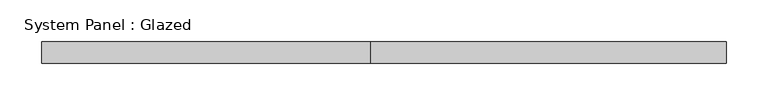
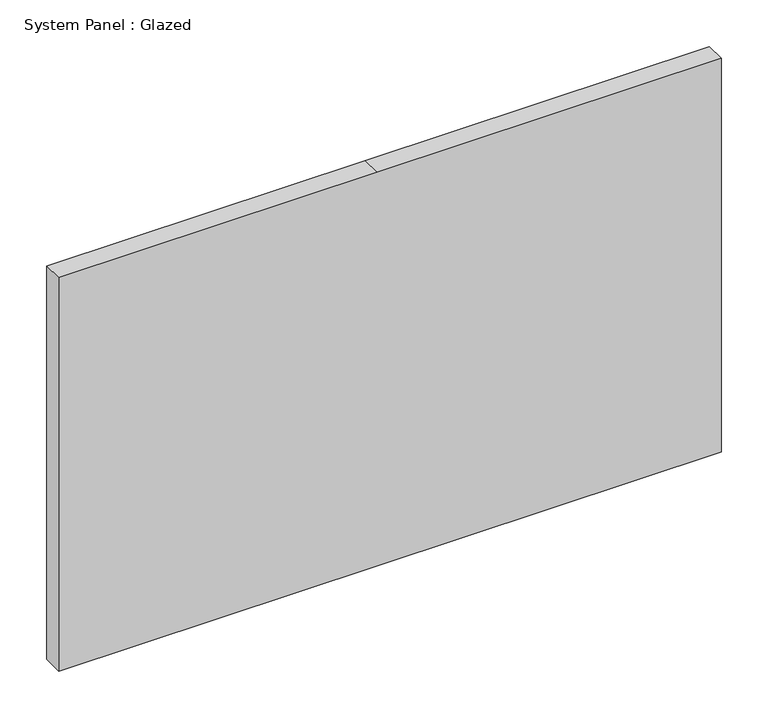
"""IFC4 building model written with IfcOpenShell, lengths in millimetres: plate geometry, System Panel : Glazed."""

from ifc_helpers import new_model, si_unit, frame, origin, place, context, project, spatial, polyline, outline, extrude, source, transform, mapped, element, save


def system_panel_glazed_1ebc0fed(model_context):
    return source(origin(), model_context, "Body", "SweptSolid", [
        extrude(outline(polyline([(0.0, -409.575), (0.0, -15.875), (0.0, 409.575), (514.35, 409.575), (514.35, -15.875), (514.35, -409.575), (0.0, -409.575)])), frame((0.0, 19.05, 0.0), z_axis=(0.0, 1.0, 0.0), x_axis=(0.0, 0.0, 1.0)), (0.0, 0.0, 1.0), 25.4),
    ])


if __name__ == "__main__":
    model = new_model("IFC4")
    model_context = context("Model", 3, world=origin())
    ifc_project = project(units=[si_unit("LENGTHUNIT", "METRE", prefix="MILLI")], contexts=[model_context])
    site = spatial("IfcSite", under=ifc_project)
    building = spatial("IfcBuilding", under=site)
    placement = place(None, origin())
    system_panel_glazed_shape = system_panel_glazed_1ebc0fed(model_context)
    element("IfcPlate", 1, ObjectType="System Panel : Glazed", at=placement, inside=building, context=model_context, shape_type="MappedRepresentation", body=[
        mapped(system_panel_glazed_shape, transform((0.0, 0.0, 0.0), x_axis=(1.0, 0.0, 0.0), y_axis=(0.0, 1.0, 0.0), z_axis=(0.0, 0.0, 1.0))),
    ])
    save(model, "model.ifc")
